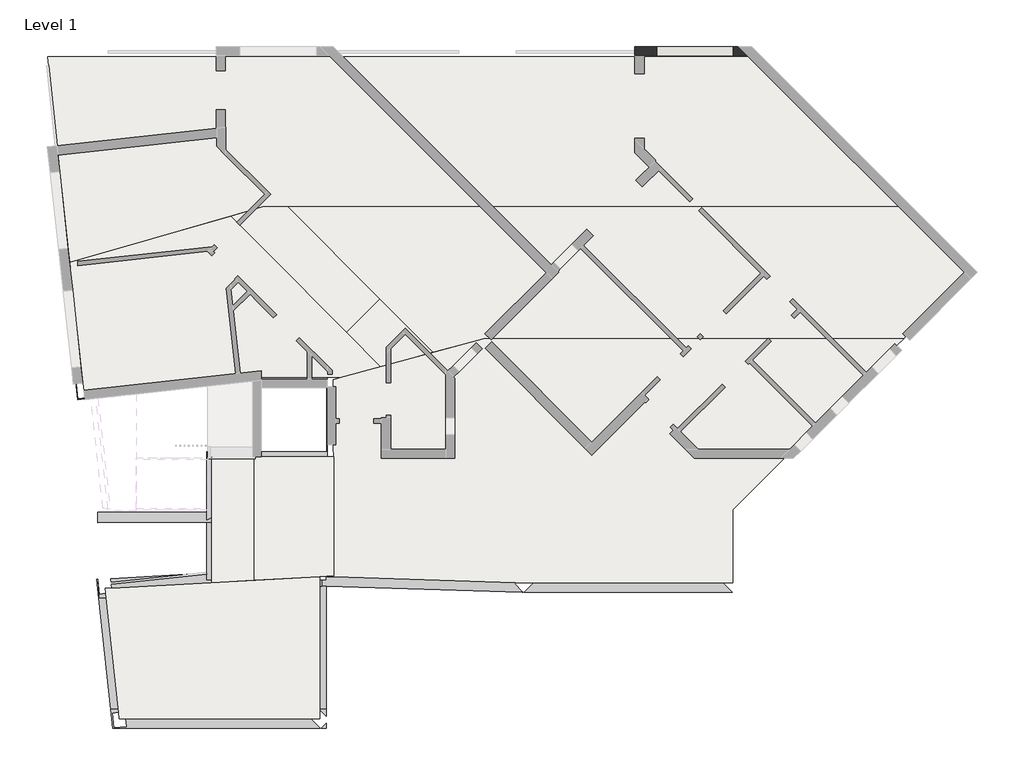
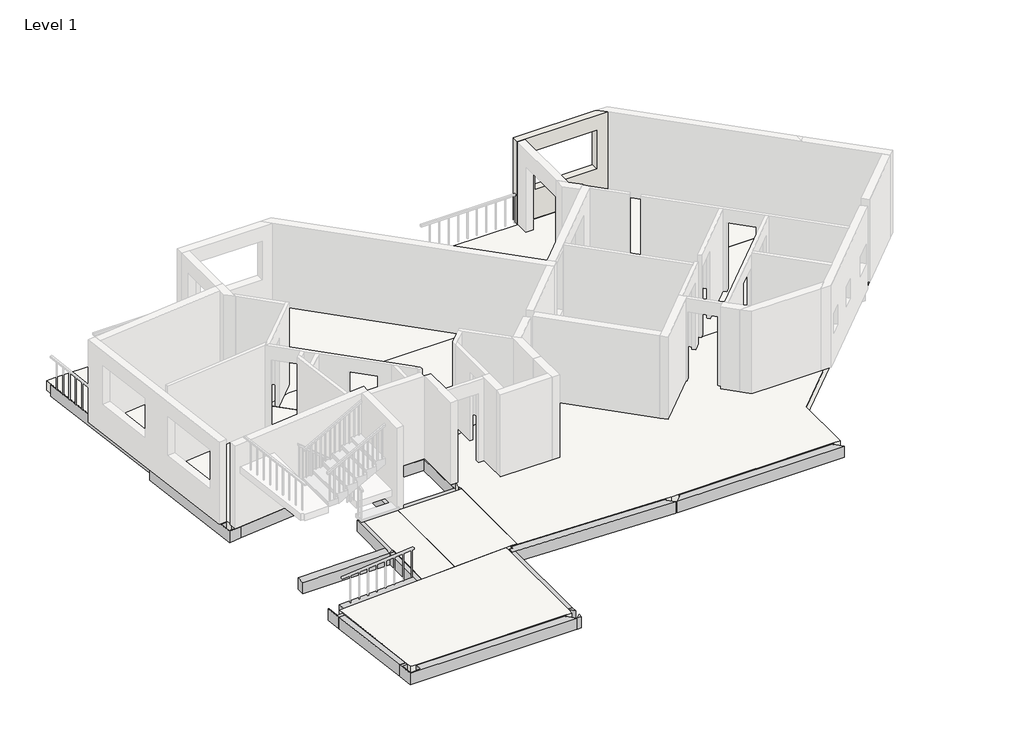
# One storey, part 2 of 3: 21 beams, 9 slabs, 1 wall.
"""IFC4 building model written with IfcOpenShell, lengths in millimetres."""

from ifc_helpers import new_model, si_unit, frame, origin, place, context, project, spatial, polyline, outline, extrude, faceted_brep, element, save

model = new_model("IFC4")

# Units and contexts
model_context = context("Model", 3, world=origin())
ifc_project = project(units=[si_unit("LENGTHUNIT", "METRE", prefix="MILLI")], contexts=[model_context])

# Site, building, storey
site = spatial("IfcSite", under=ifc_project)
building = spatial("IfcBuilding", under=site)
storey = spatial("IfcBuildingStorey", under=building, Name="Level 1", Elevation=1400.0)

# Beams
placement = place(None, origin())
element("IfcBeam", 1, ObjectType="Concrete-Rectangular Beam : 250 x 350mm 2", at=placement, inside=storey, context=model_context, shape_type="Brep", body=[
    faceted_brep([(4288.9845917, -3932.4845941, 1025.0), (7455.9079837, -7098.9143114, 1025.0), (7455.9079837, -7098.9143114, 1100.0), (4288.9845917, -3932.4845941, 1100.0), (7733.8316834, -7023.2688522, 1025.0), (4563.7049743, -3853.6363171, 1025.0), (6970.6952397, -6260.2513697, 1025.0), (7147.4857145, -6437.0142855, 1025.0), (4563.7049743, -3853.6363171, 1100.0), (6970.6952397, -6260.2513697, 1100.0), (7147.4857145, -6437.0142855, 1100.0), (7733.8316834, -7023.2688522, 1100.0)], [[[0, 1, 2, 3]], [[4, 1, 0, 5, 6, 7]], [[4, 7, 6, 5, 8, 9, 10, 11]], [[1, 4, 11, 2]], [[5, 0, 3, 8]], [[3, 2, 11, 10, 9, 8]]]),
])
element("IfcBeam", 2, ObjectType="Concrete-Rectangular Beam : 250 x 350mm 2", at=placement, inside=storey, context=model_context, shape_type="Brep", body=[
    faceted_brep([(5631.5, -3719.0, 1025.0), (7571.4733081, -5659.4733013, 1025.0), (7748.2272259, -5836.2727741, 1025.0), (8677.999454, -6766.2846342, 1025.0), (8677.999454, -6766.2846342, 1100.0), (5631.5, -3719.0, 1100.0), (8955.8902764, -6690.6481235, 1025.0), (5985.0078443, -3719.0, 1025.0), (5985.0078443, -3719.0, 1100.0), (8955.8902764, -6690.6481235, 1100.0)], [[[0, 1, 2, 3, 4, 5]], [[6, 3, 2, 1, 0, 7]], [[6, 7, 8, 9]], [[3, 6, 9, 4]], [[7, 0, 5, 8]], [[5, 4, 9, 8]]]),
])
element("IfcBeam", 3, ObjectType="Concrete-Rectangular Beam : 250 x 350mm 2", at=placement, inside=storey, context=model_context, shape_type="SweptSolid", body=[
    extrude(outline(polyline([(7147.4857145, -6437.0142855), (6970.6952397, -6260.2513697), (7571.4733081, -5659.4733013), (7748.2272259, -5836.2727741), (7147.4857145, -6437.0142855)])), frame((0.0, 0.0, 1025.0), z_axis=(0.0, 0.0, 1.0), x_axis=(1.0, 0.0, 0.0)), (0.0, 0.0, 1.0), 75.0),
])
element("IfcBeam", 4, ObjectType="Concrete-Rectangular Beam : 250 x 350mm 2", at=placement, inside=storey, context=model_context, shape_type="Brep", body=[
    faceted_brep([(4914.0, -7724.0, 1375.0), (4781.0318976, -7724.0, 1375.0), (4781.0318976, -7566.6525334, 1375.0), (4664.0, -7579.5, 1375.0), (4664.0, -9244.0, 1375.0), (4664.0, -9369.0, 1375.0), (4914.0, -9369.0, 1375.0), (4914.0, -9244.0, 1375.0), (4664.0, -7579.5, 1025.0), (4664.0, -12047.9545967, 1025.0), (4664.0, -12047.9545967, 1100.0), (4664.0, -9494.0, 1100.0), (4664.0, -9369.0, 1100.0), (4781.0318976, -7724.0, 1025.0), (4914.0, -7724.0, 1025.0), (4914.0, -12034.0779934, 1025.0), (4781.0318976, -7566.6525334, 1025.0), (4914.0, -9369.0, 1100.0), (4914.0, -9494.0, 1100.0), (4914.0, -12034.0779934, 1100.0), (4789.0, -9369.0, 1100.0)], [[[0, 1, 2, 3, 4, 5, 6, 7]], [[3, 8, 9, 10, 11, 12, 5, 4]], [[13, 14, 15, 9, 8, 16]], [[14, 0, 7, 6, 17, 18, 19, 15]], [[13, 1, 0, 14]], [[3, 2, 16, 8]], [[1, 13, 16, 2]], [[9, 15, 19, 10]], [[12, 11, 10, 19, 18, 17, 20]], [[12, 20, 17, 6, 5]]]),
    faceted_brep([(4781.0318976, -7530.4393846, 1375.0), (4781.0318976, -7530.4393846, 1025.0), (4781.0318976, -7523.5, 1025.0), (4781.0318976, -7523.5, 1375.0), (4780.2701094, -7523.5, 1375.0), (4780.2701094, -7523.5, 1025.0)], [[[0, 1, 2, 3]], [[1, 0, 4, 5]], [[0, 3, 4]], [[2, 1, 5]], [[3, 2, 5, 4]]]),
])
element("IfcBeam", 5, ObjectType="Concrete-Rectangular Beam : 250 x 350mm 2", at=placement, inside=storey, context=model_context, shape_type="Brep", body=[
    faceted_brep([(6514.0, -9244.0, 1400.0), (3678.0, -9244.0, 1400.0), (3803.0, -9370.481814, 1400.0), (3803.0, -9369.0, 1400.0), (4789.0, -9369.0, 1400.0), (6514.0, -9369.0, 1400.0), (6514.0, -9244.0, 1050.0), (4914.0, -9244.0, 1050.0), (4914.0, -9244.0, 1375.0), (4664.0, -9244.0, 1375.0), (4664.0, -9244.0, 1050.0), (3680.9289073, -9244.0, 1050.0), (6514.0, -9433.5, 1050.0), (6656.3291312, -9433.5, 1050.0), (6656.3291312, -9494.0, 1050.0), (4914.0, -9494.0, 1050.0), (3928.0, -9494.0, 1050.0), (4664.0, -9494.0, 1050.0), (4664.0, -9494.0, 1100.0), (3927.5815847, -9494.0, 1100.0), (6656.3291312, -9433.5, 1100.0), (6656.3291312, -9494.0, 1100.0), (6514.0, -9369.0, 1100.0), (6514.0, -9433.5, 1100.0), (4914.0, -9369.0, 1375.0), (4664.0, -9369.0, 1375.0), (4664.0, -9369.0, 1100.0), (4914.0, -9494.0, 1100.0), (4914.0, -9369.0, 1100.0), (3804.0460383, -9369.0, 1100.0), (3803.0, -9369.0, 1225.0)], [[[0, 1, 2, 3, 4, 5]], [[1, 0, 6, 7, 8, 9, 10, 11]], [[6, 12, 13, 14, 15, 7]], [[16, 17, 18, 19]], [[14, 13, 20, 21]], [[6, 0, 5, 22, 23, 12]], [[9, 8, 24, 25]], [[10, 9, 25, 26, 18, 17]], [[8, 7, 15, 27, 28, 24]], [[10, 17, 16, 11]], [[1, 11, 16, 19, 29, 30, 2]], [[13, 12, 23, 20]], [[26, 29, 19, 18]], [[30, 3, 2]], [[29, 26, 25, 24, 28, 22, 5, 4, 3, 30]], [[15, 14, 21, 27]], [[22, 28, 27, 21, 20, 23]]]),
])
element("IfcBeam", 6, ObjectType="Concrete-Rectangular Beam : 250 x 350mm 2", at=placement, inside=storey, context=model_context, shape_type="Brep", body=[
    faceted_brep([(3678.0, -9244.0089617, 1401.0583627), (3678.0, -12328.0302616, 1374.9443852), (3803.0, -12321.09196, 1375.0031353), (3803.0, -9370.4817078, 1399.9874536), (3801.5355463, -9369.0, 1400.0), (3678.0, -9244.0, 1400.0), (3678.0, -9241.0454398, 1051.0709093), (3678.0, -12328.0302616, 1024.9318381), (3678.0, -12328.0302616, 1100.0), (3680.920155, -9244.0, 1051.0458916), (3803.0000262, -9367.5182125, 1050.0), (3928.0, -9493.9909321, 1048.9290911), (3928.0, -12314.1536583, 1025.0493384), (3928.0, -9494.0, 1050.0), (3928.0, -9494.4233754, 1100.0), (3928.0, -12314.1536583, 1100.0), (3803.0, -9369.0, 1225.0), (3804.0460383, -9369.0, 1100.0), (3927.5815847, -9494.0, 1100.0), (3803.0, -12321.09196, 1100.0), (3803.0, -9369.0, 1100.0)], [[[0, 1, 2, 3, 4]], [[1, 0, 5, 6, 7, 8]], [[7, 6, 9, 10, 11, 12]], [[12, 11, 13, 14, 15]], [[0, 4, 3, 16, 17, 18, 14, 13, 11, 10, 9, 6, 5]], [[7, 12, 15, 19, 2, 1, 8]], [[20, 19, 15, 14, 18, 17]], [[19, 20, 16, 3, 2]], [[20, 17, 16]]]),
])
element("IfcBeam", 7, ObjectType="Concrete-Rectangular Beam : 250 x 350mm 2", at=placement, inside=storey, context=model_context, shape_type="Brep", body=[
    faceted_brep([(3803.0, -10906.4575428, 1387.4677745), (3803.0, -10656.4551681, 1387.4728457), (1122.9140268, -10668.1367384, 1375.0), (1124.0036802, -10918.1343637, 1375.0), (3803.0, -10906.4575428, 1037.4639843), (1124.0036802, -10918.1343637, 1024.9962098), (3803.0, -10656.4551681, 1037.4690555), (1122.9140268, -10668.1367384, 1024.9962098)], [[[0, 1, 2, 3]], [[4, 0, 3, 5]], [[6, 4, 5, 7]], [[1, 6, 7, 2]], [[2, 7, 5, 3]], [[1, 0, 4, 6]]]),
])
element("IfcBeam", 8, ObjectType="Concrete-Rectangular Beam : 300 x 350mm 2", at=placement, inside=storey, context=model_context, shape_type="Brep", body=[
    faceted_brep([(6489.0, -12405.851517, 1375.0), (6391.1095246, -12402.7816252, 1375.0), (6339.0, -12405.674038, 1375.0), (6339.0, -15296.0, 1375.0), (6489.0, -15296.0, 1375.0), (6489.0, -12405.851517, 1025.0), (6489.0, -15296.0, 1025.0), (6189.0, -12414.0, 1025.0), (6391.1095246, -12402.7816252, 1025.0), (6189.0, -15296.0, 1025.0), (6189.0, -15296.0, 1100.0), (6189.0, -12414.0, 1100.0), (6339.0, -12405.674038, 1100.0), (6339.0, -15296.0, 1100.0)], [[[0, 1, 2, 3, 4]], [[5, 0, 4, 6]], [[7, 8, 5, 6, 9]], [[7, 9, 10, 11]], [[8, 7, 11, 12, 2, 1]], [[1, 0, 5, 8]], [[9, 6, 4, 3, 13, 10]], [[13, 12, 11, 10]], [[12, 13, 3, 2]]]),
])
element("IfcBeam", 9, ObjectType="Concrete-Rectangular Beam : 300 x 350mm 2", at=placement, inside=storey, context=model_context, shape_type="Brep", body=[
    faceted_brep([(6506.3291312, -7549.7295918, 1375.0), (6506.3291312, -9249.5457583, 1400.0), (6514.0, -9249.5457583, 1400.0), (6514.0, -9083.5, 1397.5578865), (6656.3291312, -9083.5, 1397.5578865), (6656.3291312, -7723.5, 1377.5557235), (6514.0, -7723.5, 1377.5557235), (6514.0, -7549.7295918, 1375.0), (6506.3291312, -7549.7295918, 1024.9621478), (6506.3291312, -9249.5457583, 1049.9621478), (6514.0, -7549.7295918, 1024.9621478), (6514.0, -7723.5, 1027.5178714), (6806.3291312, -7723.5, 1027.5178714), (6806.3291312, -9083.5, 1047.5200344), (6514.0, -9083.5, 1047.5200344), (6514.0, -9249.5457583, 1049.9621478), (6806.3291312, -7723.5, 1100.0), (6806.3291312, -9083.5, 1100.0), (6656.3291312, -7723.5, 1100.0), (6656.3291312, -9083.5, 1100.0)], [[[0, 1, 2, 3, 4, 5, 6, 7]], [[1, 0, 8, 9]], [[9, 8, 10, 11, 12, 13, 14, 15]], [[13, 12, 16, 17]], [[8, 0, 7, 10]], [[1, 9, 15, 2]], [[6, 11, 10, 7]], [[11, 6, 5, 18, 16, 12]], [[3, 14, 13, 17, 19, 4]], [[14, 3, 2, 15]], [[18, 19, 17, 16]], [[19, 18, 5, 4]]]),
])
element("IfcBeam", 10, ObjectType="Concrete-Rectangular Beam : 300 x 350mm 2", at=placement, inside=storey, context=model_context, shape_type="Brep", body=[
    faceted_brep([(6664.0, -12162.2881121, 1375.2061538), (6514.0, -12170.6140741, 1375.1344593), (6514.0, -12181.5249146, 1375.0405066), (6664.0, -12186.2289858, 1375.0), (6814.0, -12190.9330569, 1024.9465177), (6814.0, -9433.5, 1048.6906557), (6814.0, -9433.5, 1100.0), (6814.0, -12190.9330569, 1100.0), (6514.0, -12181.5249146, 1025.0275308), (6514.0, -9433.5, 1048.6906557), (6514.0, -12170.6140741, 1100.0), (6514.0, -9433.5, 1100.0), (6664.0, -12186.2289858, 1100.0), (6664.0, -12162.2881121, 1100.0)], [[[0, 1, 2, 3]], [[4, 5, 6, 7]], [[4, 8, 9, 5]], [[8, 2, 1, 10, 11, 9]], [[2, 8, 4, 7, 12, 3]], [[5, 9, 11, 6]], [[10, 13, 12, 7, 6, 11]], [[13, 10, 1, 0]], [[12, 13, 0, 3]]]),
])
element("IfcBeam", 11, ObjectType="Concrete-Rectangular Beam : 350 x 350mm 2", at=placement, inside=storey, context=model_context, shape_type="Brep", body=[
    faceted_brep([(472.3845032, -4793.8138553, 1400.0), (-34.9956457, -175.0, 1400.0), (-55.3541416, -175.0, 1400.0), (455.478602, -4825.8192832, 1400.0), (141.0570668, -175.0, 1050.0), (618.1278376, -4517.8996798, 1050.0), (573.3716487, -4602.6299147, 1050.0), (455.478602, -4825.8192832, 1050.0), (-55.3541416, -175.0, 1050.0), (618.1278376, -4517.8996798, 1100.0), (573.3716487, -4602.6299147, 1100.0), (472.3845032, -4793.8138553, 1100.0), (141.0570668, -175.0, 1100.0), (-34.9956457, -175.0, 1100.0)], [[[0, 1, 2, 3]], [[4, 5, 6, 7, 8]], [[5, 9, 10, 11, 0, 3, 7, 6]], [[12, 4, 8, 2, 1, 13]], [[5, 4, 12, 9]], [[13, 11, 10, 9, 12]], [[11, 13, 1, 0]], [[3, 2, 8, 7]]]),
])
element("IfcBeam", 12, ObjectType="Concrete-Rectangular Beam : 350 x 350mm 2", at=placement, inside=storey, context=model_context, shape_type="Brep", body=[
    faceted_brep([(1147.5961655, -12693.8302438, 1375.0), (1122.6566689, -12244.5218625, 1375.0), (1099.1402845, -12245.8271726, 1375.0), (1781.0873736, -15296.0, 1025.0), (1497.536567, -12674.4063073, 1025.0), (1497.536567, -12674.4063073, 1100.0), (1781.0873736, -15296.0, 1100.0), (1122.6566689, -12244.5218625, 1025.0), (1147.5961655, -12693.8302438, 1025.0), (1099.1402845, -12245.8271726, 1025.0), (1429.0460849, -15296.0, 1025.0), (1429.0460849, -15296.0, 1375.0), (1605.0667292, -15296.0, 1100.0), (1605.0667292, -15296.0, 1375.0), (1322.5663663, -12684.1182756, 1375.0), (1322.5663663, -12684.1182756, 1100.0)], [[[0, 1, 2]], [[3, 4, 5, 6]], [[7, 8, 9]], [[2, 9, 8, 10, 11, 0]], [[10, 3, 6, 12, 13, 11]], [[9, 2, 1, 7]], [[8, 0, 14, 15, 5, 4]], [[0, 8, 7, 1]], [[0, 11, 13, 14]], [[3, 10, 8, 4]], [[15, 12, 6, 5]], [[12, 15, 14, 13]]]),
])
element("IfcBeam", 13, ObjectType="Concrete-Rectangular Beam : 350 x 350mm 2", at=placement, inside=storey, context=model_context, shape_type="Brep", body=[
    faceted_brep([(655.0063977, -7995.5601734, 1375.0), (618.0023195, -7647.521816, 1375.0), (783.6520766, -7629.9096292, 1375.0), (472.3841295, -4793.8139626, 1375.0), (276.8029194, -4615.8643138, 1375.0), (650.4255343, -8020.1000829, 1375.0), (998.3354647, -7981.9074082, 1375.0), (979.2434596, -7807.9519675, 1375.0), (937.2406788, -7812.5629268, 1375.0), (953.3249898, -7963.8423921, 1375.0), (276.8029194, -4615.8643138, 1025.0), (650.4255343, -8020.1000829, 1025.0), (641.1989283, -4947.4101804, 1025.0), (667.9653397, -4971.7636114, 1025.0), (960.1514545, -7633.9965267, 1025.0), (998.3354647, -7981.9074082, 1025.0), (916.3209115, -7615.8040347, 1025.0), (618.0023195, -7647.521816, 1025.0), (655.0063977, -7995.5601734, 1025.0), (953.3249898, -7963.8423921, 1025.0), (667.9653397, -4971.7636114, 1100.0), (960.1514545, -7633.9965267, 1100.0), (979.2434596, -7807.9519675, 1100.0), (472.3841295, -4793.8139626, 1100.0), (641.1989283, -4947.4101804, 1100.0), (916.3209115, -7615.8040347, 1100.0), (783.6520766, -7629.9096292, 1100.0), (937.2406788, -7812.5629268, 1100.0)], [[[0, 1, 2, 3, 4, 5, 6, 7, 8, 9]], [[4, 10, 11, 5]], [[10, 12, 13, 14, 15, 11], [16, 17, 18, 19]], [[15, 14, 13, 20, 21, 22, 7, 6]], [[13, 12, 10, 4, 3, 23, 24, 20]], [[1, 17, 16, 25, 26, 2]], [[17, 1, 0, 18]], [[16, 19, 9, 8, 27, 25]], [[6, 5, 11, 15]], [[18, 0, 9, 19]], [[8, 7, 22, 27]], [[3, 2, 26, 23]], [[23, 26, 25, 27, 22, 21, 20, 24]]]),
])
element("IfcBeam", 14, ObjectType="Concrete-Rectangular Beam : 350 x 350mm 2", at=placement, inside=storey, context=model_context, shape_type="Brep", body=[
    faceted_brep([(998.3354647, -7981.9074082, 1375.0), (998.3354647, -7981.9074082, 1025.0), (4664.0, -7579.5, 1025.0), (4781.0318976, -7566.6525334, 1025.0), (4781.0318976, -7566.6525334, 1375.0), (4664.0, -7579.5, 1375.0), (979.2434596, -7807.9519675, 1375.0), (979.2434596, -7807.9519675, 1100.0), (960.1514545, -7633.9965267, 1100.0), (960.1514545, -7633.9965267, 1025.0), (4614.0, -7523.5, 1375.0), (4614.0, -7523.5, 1025.0), (4614.0, -7232.8862481, 1025.0), (4614.0, -7232.8862481, 1100.0), (4614.0, -7499.0, 1100.0), (4614.0, -7499.0, 1375.0), (4780.2701094, -7523.5, 1375.0), (4780.2701094, -7523.5, 1025.0), (4781.0318976, -7530.4393846, 1375.0), (4781.0318976, -7530.4393846, 1025.0), (3793.5909273, -7499.0, 1375.0), (3793.5909273, -7499.0, 1100.0)], [[[0, 1, 2, 3, 4, 5]], [[1, 0, 6, 7, 8, 9]], [[10, 11, 12, 13, 14, 15]], [[11, 10, 16, 17]], [[17, 16, 18, 19]], [[16, 10, 15, 20, 6, 0, 5, 4, 18]], [[1, 9, 12, 11, 17, 19, 3, 2]], [[12, 9, 8, 13]], [[4, 3, 19, 18]], [[20, 21, 7, 6]], [[21, 20, 15, 14]], [[21, 14, 13, 8, 7]]]),
    faceted_brep([(4746.7672737, -7218.3113916, 1025.0), (4747.336866, -7223.5, 1025.0), (4699.5024934, -7223.5, 1025.0), (4699.5024934, -7223.5, 1100.0), (4746.7672737, -7218.3113916, 1100.0), (4747.336866, -7223.5, 1100.0)], [[[0, 1, 2]], [[0, 2, 3, 4]], [[1, 0, 4, 5]], [[2, 1, 5, 3]], [[4, 3, 5]]]),
])
element("IfcBeam", 15, ObjectType="Concrete-Rectangular Beam : 450 x 350mm 2", at=placement, inside=storey, context=model_context, shape_type="Brep", body=[
    faceted_brep([(6363.6161445, -15333.8518192, 1375.0), (6489.0, -15458.9406539, 1375.0), (6489.0, -15296.0, 1375.0), (6339.0, -15296.0, 1375.0), (6339.0, -15358.5260207, 1375.0), (6489.0, -15296.0, 1025.0), (6189.0, -15296.0, 1025.0), (1781.0873736, -15296.0, 1025.0), (1429.0460849, -15296.0, 1025.0), (1429.0460849, -15296.0, 1375.0), (1605.0667292, -15296.0, 1375.0), (1605.0667292, -15296.0, 1100.0), (1781.0873736, -15296.0, 1100.0), (6189.0, -15296.0, 1100.0), (6339.0, -15296.0, 1100.0), (6363.6161445, -15333.8518192, 1025.0), (6489.0, -15458.9406539, 1025.0), (6339.0, -15358.5260207, 1100.0), (6176.9083124, -15521.0, 1100.0), (6176.9083124, -15521.0, 1375.0), (6151.7341182, -15546.2335673, 1375.0), (6151.7341182, -15546.2335673, 1025.0), (6351.9716981, -15746.0, 1375.0), (6351.9716981, -15746.0, 1025.0), (1477.7179532, -15746.0, 1375.0), (1477.7179532, -15746.0, 1025.0), (1762.6222142, -15355.9482068, 1025.0), (1464.2788034, -15387.4316823, 1025.0), (1501.0095248, -15735.4989949, 1025.0), (1799.3529356, -15704.0155194, 1025.0), (1613.2555566, -15371.7105173, 1100.0), (1762.6222142, -15355.9482068, 1100.0), (1780.0397401, -15521.0, 1100.0), (1780.0397401, -15521.0, 1375.0), (1613.2555566, -15371.7105173, 1375.0), (1799.3529356, -15704.0155194, 1375.0), (1501.0095248, -15735.4989949, 1375.0), (1464.2788034, -15387.4316823, 1375.0)], [[[0, 1, 2, 3, 4]], [[2, 5, 6, 7, 8, 9, 10, 11, 12, 13, 14, 3]], [[0, 15, 16, 1]], [[15, 0, 4, 17, 18, 19, 20, 21]], [[21, 20, 22, 23]], [[23, 22, 24, 25]], [[16, 15, 21, 23, 25, 8, 7, 6, 5], [26, 27, 28, 29]], [[5, 2, 1, 16]], [[17, 14, 13, 12, 11, 30, 31, 32, 18]], [[14, 17, 4, 3]], [[19, 18, 32, 33]], [[11, 10, 34, 30]], [[22, 20, 19, 33, 35, 36, 37, 34, 10, 9, 24]], [[24, 9, 8, 25]], [[26, 31, 30, 34, 37, 27]], [[27, 37, 36, 28]], [[28, 36, 35, 29]], [[31, 26, 29, 35, 33, 32]]]),
    faceted_brep([(6489.0, -15746.0, 1025.0), (6489.0, -15746.0, 1375.0), (6376.2029526, -15746.0, 1375.0), (6376.2029526, -15746.0, 1025.0), (6489.0, -15632.9369219, 1025.0), (6489.0, -15632.9369219, 1375.0)], [[[0, 1, 2, 3]], [[4, 0, 3]], [[1, 0, 4, 5]], [[2, 5, 4, 3]], [[1, 5, 2]]]),
])
element("IfcBeam", 16, ObjectType="Concrete-Rectangular Beam : 450 x 350mm 2", at=placement, inside=storey, context=model_context, shape_type="Brep", body=[
    faceted_brep([(1147.5961655, -12693.8302438, 1025.0), (1497.536567, -12674.4063073, 1025.0), (6189.0, -12414.0, 1025.0), (6391.1095246, -12402.7816252, 1025.0), (6391.1095246, -12402.7816252, 1375.0), (6339.0, -12405.674038, 1375.0), (6339.0, -12405.674038, 1100.0), (6189.0, -12414.0, 1100.0), (1497.536567, -12674.4063073, 1100.0), (1322.5663663, -12684.1182756, 1100.0), (1322.5663663, -12684.1182756, 1375.0), (1147.5961655, -12693.8302438, 1375.0), (1122.6566689, -12244.5218625, 1375.0), (1122.6566689, -12244.5218625, 1025.0), (1161.1379373, -12591.8062242, 1375.0), (1161.1379373, -12591.8062242, 1025.0), (1124.7010948, -12244.4083837, 1025.0), (1124.7010948, -12244.4083837, 1375.0), (1310.8831615, -12576.1001877, 1375.0), (1310.8831615, -12576.1001877, 1100.0), (1459.501297, -12560.512366, 1100.0), (1459.501297, -12560.512366, 1025.0), (1424.6007588, -12227.7620291, 1025.0), (1448.0994185, -12451.8040445, 1100.0), (1448.0994185, -12451.8040445, 1375.0), (1424.6007588, -12227.7620291, 1375.0), (6189.0, -12262.0, 1025.0), (6189.0, -11963.3073167, 1025.0), (6189.0, -11963.3073167, 1100.0), (6189.0, -12262.0, 1100.0), (6389.4130721, -12262.0, 1025.0), (6339.0, -12262.0, 1100.0), (6339.0, -12262.0, 1375.0), (6389.4130721, -12262.0, 1375.0), (4664.0, -12047.9545967, 1025.0), (4914.0, -12034.0779934, 1025.0), (3803.0, -12095.7456183, 1375.0), (3803.0, -12095.7456183, 1100.0), (4664.0, -12047.9545967, 1100.0), (4914.0, -12034.0779934, 1100.0), (3803.0, -12321.09196, 1100.0), (3803.0, -12321.09196, 1375.0)], [[[0, 1, 2, 3, 4, 5, 6, 7, 8, 9, 10, 11]], [[12, 13, 0, 11]], [[14, 15, 16, 17]], [[15, 14, 18, 19, 20, 21]], [[22, 21, 20, 23, 24, 25]], [[26, 27, 28, 29]], [[30, 26, 29, 31, 32, 33]], [[13, 12, 17, 16]], [[4, 33, 32, 5]], [[3, 2, 1, 0, 13, 16, 15, 21, 22, 34, 35, 27, 26, 30]], [[22, 25, 36, 37, 38, 39, 28, 27, 35, 34]], [[4, 3, 30, 33]], [[37, 40, 23, 20, 19, 9, 8, 7, 6, 31, 29, 28, 39, 38]], [[40, 37, 36, 41]], [[31, 6, 5, 32]], [[9, 19, 18, 10]], [[23, 40, 41, 24]], [[36, 25, 24, 41]], [[12, 11, 10, 18, 14, 17]]]),
    faceted_brep([(6385.7980001, -11962.0, 1025.0), (6212.5525343, -11962.0, 1025.0), (6385.6821996, -11952.3901933, 1025.0), (6212.5525343, -11962.0, 1100.0), (6385.6821996, -11952.3901933, 1100.0), (6385.7980001, -11962.0, 1100.0)], [[[0, 1, 2]], [[2, 1, 3, 4]], [[1, 0, 5, 3]], [[0, 2, 4, 5]], [[4, 3, 5]]]),
])
element("IfcBeam", 17, ObjectType="Concrete-Rectangular Beam : 450 x 350mm 2", at=placement, inside=storey, context=model_context, shape_type="Brep", body=[
    faceted_brep([(6391.1095246, -12402.7816252, 1375.0), (6489.0, -12405.851517, 1375.0), (11101.4456273, -12550.5, 1375.0), (11101.6934174, -12534.6934174, 1375.0), (10917.7521853, -12350.7521853, 1375.0), (10947.9293288, -12320.5750418, 1375.0), (6664.0, -12186.2289858, 1375.0), (6664.0, -12162.2881121, 1375.0), (6489.0, -12172.0017344, 1375.0), (6489.0, -12262.0, 1375.0), (6389.4130721, -12262.0, 1375.0), (6391.1095246, -12402.7816252, 1025.0), (6489.0, -12405.851517, 1025.0), (11101.4456273, -12550.5, 1025.0), (6389.4130721, -12262.0, 1025.0), (6489.0, -12262.0, 1025.0), (6489.0, -11962.0, 1025.0), (6385.7980001, -11962.0, 1025.0), (6385.6821996, -11952.3901933, 1025.0), (11108.5, -12100.5, 1025.0), (11107.5523306, -12160.9520399, 1025.0), (10917.7521853, -12350.7521853, 1025.0), (11101.6934174, -12534.6934174, 1025.0), (6385.6821996, -11952.3901933, 1100.0), (11108.5, -12100.5, 1100.0), (6489.0, -11962.0, 1100.0), (6385.7980001, -11962.0, 1100.0), (6489.0, -12172.0017344, 1100.0), (11107.5523306, -12160.9520399, 1100.0), (10947.9293288, -12320.5750418, 1100.0), (6664.0, -12162.2881121, 1100.0), (6664.0, -12186.2289858, 1100.0)], [[[0, 1, 2, 3, 4, 5, 6, 7, 8, 9, 10]], [[2, 1, 0, 11, 12, 13]], [[13, 12, 11, 14, 15, 16, 17, 18, 19, 20, 21, 22]], [[19, 18, 23, 24]], [[17, 16, 25, 26]], [[9, 15, 14, 10]], [[15, 9, 8, 27, 25, 16]], [[4, 21, 20, 28, 29, 5]], [[21, 4, 3, 22]], [[2, 13, 22, 3]], [[20, 19, 24, 28]], [[18, 17, 26, 23]], [[11, 0, 10, 14]], [[27, 30, 31, 29, 28, 24, 23, 26, 25]], [[30, 27, 8, 7]], [[29, 31, 6, 5]], [[31, 30, 7, 6]]]),
])
element("IfcBeam", 18, ObjectType="Concrete-Rectangular Beam : 450 x 350mm 2", at=placement, inside=storey, context=model_context, shape_type="Brep", body=[
    faceted_brep([(11342.016254, -12350.7521853, 1375.0), (11142.2684393, -12550.5, 1375.0), (16032.5, -12550.5, 1375.0), (15832.7521853, -12350.7521853, 1375.0), (15858.0043706, -12325.5, 1375.0), (11316.7640687, -12325.5, 1375.0), (11142.2684393, -12550.5, 1025.0), (16032.5, -12550.5, 1025.0), (11108.5, -12100.5, 1025.0), (16044.8842196, -12100.5, 1025.0), (16044.8842196, -12138.6201509, 1025.0), (15832.7521853, -12350.7521853, 1025.0), (11342.016254, -12350.7521853, 1025.0), (11129.8842196, -12138.6201509, 1025.0), (11107.5523306, -12160.9520399, 1025.0), (11108.5, -12100.5, 1100.0), (16044.8842196, -12100.5, 1100.0), (11316.7640687, -12325.5, 1100.0), (11129.8842196, -12138.6201509, 1100.0), (11107.5523306, -12160.9520399, 1100.0), (16044.8842196, -12138.6201509, 1100.0), (15858.0043706, -12325.5, 1100.0)], [[[0, 1, 2, 3, 4, 5]], [[1, 6, 7, 2]], [[8, 9, 10, 11, 7, 6, 12, 13, 14]], [[9, 8, 15, 16]], [[12, 0, 5, 17, 18, 13]], [[14, 13, 18, 19]], [[0, 12, 6, 1]], [[3, 11, 10, 20, 21, 4]], [[11, 3, 2, 7]], [[8, 14, 19, 15]], [[10, 9, 16, 20]], [[17, 21, 20, 16, 15, 19, 18]], [[21, 17, 5, 4]]]),
    faceted_brep([(11101.6934174, -12534.6934174, 1375.0), (11117.5, -12550.5, 1375.0), (11117.5, -12550.5, 1025.0), (11101.6934174, -12534.6934174, 1025.0), (11101.4456273, -12550.5, 1375.0), (11101.4456273, -12550.5, 1025.0)], [[[0, 1, 2, 3]], [[1, 0, 4]], [[2, 1, 4, 5]], [[3, 2, 5]], [[5, 4, 0, 3]]]),
])
element("IfcBeam", 19, ObjectType="Concrete-Rectangular Beam : 450 x 350mm 2", at=placement, inside=storey, context=model_context, shape_type="Brep", body=[
    faceted_brep([(6842.7111819, -7499.0, 1375.0), (6814.0, -7499.0, 1375.0), (6814.0, -7506.8146288, 1375.0), (4781.0318976, -7724.0, 1025.0), (4914.0, -7724.0, 1025.0), (6872.7844828, -7724.0, 1025.0), (6872.7844828, -7724.0, 1100.0), (6656.3291312, -7724.0, 1100.0), (6656.3291312, -7724.0, 1375.0), (4914.0, -7724.0, 1375.0), (4781.0318976, -7724.0, 1375.0), (4781.0318976, -7566.6525334, 1025.0), (4781.0318976, -7530.4393846, 1025.0), (4781.0318976, -7523.5, 1025.0), (4914.0, -7523.5, 1025.0), (4914.0, -7274.0, 1025.0), (6812.6378811, -7274.0, 1025.0), (6814.0, -7423.5, 1025.0), (6514.0, -7423.5, 1025.0), (6514.0, -7723.5, 1025.0), (6814.0, -7723.5, 1025.0), (4914.0, -7274.0, 1100.0), (6812.6378811, -7274.0, 1100.0), (4781.0318976, -7566.6525334, 1375.0), (4781.0318976, -7530.4393846, 1375.0), (4781.0318976, -7523.5, 1375.0), (4914.0, -7523.5, 1375.0), (4914.0, -7499.0, 1375.0), (4914.0, -7499.0, 1100.0), (6814.0, -7423.5, 1100.0), (6514.0, -7423.5, 1100.0), (6514.0, -7723.5, 1375.0), (6514.0, -7499.0, 1100.0), (6514.0, -7499.0, 1375.0), (6656.3291312, -7723.5, 1375.0), (6656.3291312, -7723.5, 1100.0), (6814.0, -7723.5, 1100.0), (6814.0, -7506.8146288, 1100.0), (6814.0, -7499.0, 1100.0), (6842.7111819, -7499.0, 1100.0)], [[[0, 1, 2]], [[3, 4, 5, 6, 7, 8, 9, 10]], [[5, 4, 3, 11, 12, 13, 14, 15, 16], [17, 18, 19, 20]], [[16, 15, 21, 22]], [[3, 10, 23, 24, 25, 13, 12, 11]], [[26, 14, 13, 25]], [[14, 26, 27, 28, 21, 15]], [[18, 17, 29, 30]], [[31, 19, 18, 30, 32, 33]], [[19, 31, 34, 35, 36, 20]], [[17, 20, 36, 37, 2, 1, 38, 29]], [[5, 16, 22, 39, 6]], [[1, 0, 39, 38]], [[27, 33, 32, 28]], [[28, 32, 30, 29, 38, 39, 22, 21]], [[39, 37, 36, 35, 7, 6]], [[7, 35, 34, 8]], [[37, 39, 0, 2]], [[25, 24, 23, 10, 9, 8, 34, 31, 33, 27, 26]]]),
])
element("IfcBeam", 20, ObjectType="Concrete-Rectangular Beam : 450 x 350mm 2", at=placement, inside=storey, context=model_context, shape_type="Brep", body=[
    faceted_brep([(667.9653397, -4971.7636114, 1025.0), (4288.9845917, -3932.4845941, 1025.0), (4563.7049743, -3853.6363171, 1025.0), (5018.5810446, -3723.0810446, 1025.0), (5018.5810446, -3723.0810446, 1100.0), (4563.7049743, -3853.6363171, 1100.0), (4288.9845917, -3932.4845941, 1100.0), (667.9653397, -4971.7636114, 1100.0), (447.4561598, -4566.8846427, 1025.0), (4969.5, -3269.0, 1025.0), (4981.1828185, -3352.0531127, 1025.0), (4814.3679656, -3518.8679656, 1025.0), (641.1989283, -4947.4101804, 1025.0), (664.3236947, -4944.965784, 1025.0), (627.5320249, -4596.9049085, 1025.0), (452.7830481, -4615.3766963, 1025.0), (447.4561598, -4566.8846427, 1050.0), (618.1278376, -4517.8996798, 1050.0), (618.1278376, -4517.8996798, 1100.0), (4969.5, -3269.0, 1100.0), (452.7830481, -4615.3766963, 1050.0), (4981.1828185, -3352.0531127, 1100.0), (627.5320249, -4596.9049085, 1100.0), (573.3716487, -4602.6299147, 1100.0), (573.3716487, -4602.6299147, 1050.0), (641.1989283, -4947.4101804, 1100.0), (664.3236947, -4944.965784, 1100.0), (4814.3679656, -3518.8679656, 1100.0)], [[[0, 1, 2, 3, 4, 5, 6, 7]], [[8, 9, 10, 11, 3, 2, 1, 0, 12, 13, 14, 15]], [[9, 8, 16, 17, 18, 19]], [[8, 15, 20, 16]], [[10, 9, 19, 21]], [[15, 14, 22, 23, 24, 20]], [[13, 12, 25, 26]], [[14, 13, 26, 22]], [[12, 0, 7, 25]], [[24, 17, 16, 20]], [[17, 24, 23, 18]], [[11, 10, 21, 27]], [[3, 11, 27, 4]], [[26, 25, 7, 6, 5, 4, 27, 21, 19, 18, 23, 22]]]),
])
element("IfcBeam", 21, ObjectType="Concrete-Rectangular Beam : 450 x 350mm 2", at=placement, inside=storey, context=model_context, shape_type="Brep", body=[
    faceted_brep([(5038.5, -3719.0, 1025.0), (5631.5, -3719.0, 1025.0), (5985.0078443, -3719.0, 1025.0), (10170.5, -3719.0, 1025.0), (10170.5, -3719.0, 1100.0), (5985.0078443, -3719.0, 1100.0), (5631.5, -3719.0, 1100.0), (5038.5, -3719.0, 1100.0), (4969.5, -3269.0, 1025.0), (10182.6208565, -3269.0, 1025.0), (10182.6208565, -3306.8567878, 1025.0), (9970.4837675, -3518.9837675, 1025.0), (5238.6320344, -3518.8679656, 1025.0), (5026.5, -3306.7359313, 1025.0), (4981.1828185, -3352.0531127, 1025.0), (4969.5, -3269.0, 1100.0), (10182.6208565, -3269.0, 1100.0), (4981.1828185, -3352.0531127, 1100.0), (10182.6208565, -3306.8466785, 1100.0), (5238.6320344, -3518.8679656, 1100.0), (5026.5, -3306.7359313, 1100.0), (9970.4837675, -3518.9837675, 1100.0)], [[[0, 1, 2, 3, 4, 5, 6, 7]], [[8, 9, 10, 11, 3, 2, 1, 0, 12, 13, 14]], [[9, 8, 15, 16]], [[8, 14, 17, 15]], [[10, 9, 16, 18]], [[13, 12, 19, 20]], [[14, 13, 20, 17]], [[12, 0, 7, 19]], [[11, 10, 18, 21]], [[3, 11, 21, 4]], [[19, 7, 6, 5, 4, 21, 18, 16, 15, 17, 20]]]),
])

# Slabs
element("IfcSlab", 22, ObjectType="Generic 300mm", at=placement, inside=storey, context=model_context, shape_type="Brep", body=[
    faceted_brep([(3793.5909273, -7499.0, 1100.0), (979.2434596, -7807.9519675, 1100.0), (937.2406788, -7812.5629268, 1100.0), (805.2884944, -7827.0483048, 1100.0), (783.6520766, -7629.9096292, 1100.0), (490.9843526, -4963.2885668, 1100.0), (472.3841295, -4793.8139626, 1100.0), (4244.4411407, -3711.1851693, 1100.0), (7778.188094, -7244.3812657, 1100.0), (6842.7111819, -7499.0, 1100.0), (6814.0, -7499.0, 1100.0), (6514.0, -7499.0, 1100.0), (4914.0, -7499.0, 1100.0), (4614.0, -7499.0, 1100.0), (3793.5909273, -7499.0, 1400.0), (4614.0, -7499.0, 1400.0), (4914.0, -7499.0, 1400.0), (6514.0, -7499.0, 1400.0), (6814.0, -7499.0, 1400.0), (6842.7111819, -7499.0, 1400.0), (7778.188094, -7244.3812657, 1400.0), (4244.4411407, -3711.1851693, 1400.0), (472.3841295, -4793.8139626, 1400.0), (490.9843526, -4963.2885668, 1400.0), (783.6520766, -7629.9096292, 1400.0), (805.2884944, -7827.0483048, 1400.0), (937.2406788, -7812.5629268, 1400.0), (3793.5909273, -7499.0, 1375.0), (6842.7111819, -7499.0, 1375.0)], [[[0, 1, 2, 3, 4, 5, 6, 7, 8, 9, 10, 11, 12, 13]], [[14, 15, 16, 17, 18, 19, 20, 21, 22, 23, 24, 25, 26]], [[3, 2, 1, 0, 27, 14, 26, 25]], [[6, 5, 4, 3, 25, 24, 23, 22]], [[7, 6, 22, 21]], [[8, 7, 21, 20]], [[9, 8, 20, 19, 28]], [[0, 13, 12, 11, 10, 9, 28, 19, 18, 17, 16, 15, 14, 27]]]),
])
element("IfcSlab", 23, ObjectType="Generic 300mm", at=placement, inside=storey, context=model_context, shape_type="Brep", body=[
    faceted_brep([(3803.0, -12321.09196, 1100.0), (3803.0, -12095.7456183, 1100.0), (3803.0, -9369.0, 1100.0), (3804.0460383, -9369.0, 1100.0), (4664.0, -9369.0, 1100.0), (4789.0, -9369.0, 1100.0), (4789.0, -12266.3626367, 1100.0), (3928.0, -12314.1536583, 1100.0), (3803.0, -12321.09196, 1400.0), (4789.0, -12266.3626367, 1400.0), (4789.0, -9369.0, 1400.0), (3803.0, -9369.0, 1400.0), (3803.0, -9370.481814, 1400.0), (3803.0, -12321.09196, 1375.0), (3803.0, -9369.0, 1225.0)], [[[0, 1, 2, 3, 4, 5, 6, 7]], [[8, 9, 10, 11, 12]], [[2, 1, 0, 13, 8, 12, 11, 14]], [[5, 4, 3, 2, 14, 11, 10]], [[6, 5, 10, 9]], [[0, 7, 6, 9, 8, 13]]]),
])
element("IfcSlab", 24, ObjectType="Generic 300mm", at=placement, inside=storey, context=model_context, shape_type="Brep", body=[
    faceted_brep([(4789.0, -9369.0, 1100.0), (4914.0, -9369.0, 1100.0), (6514.0, -9369.0, 1100.0), (6664.0, -9369.0, 1100.0), (6664.0, -12162.2881121, 1100.0), (6514.0, -12170.6140741, 1100.0), (6489.0, -12172.0017344, 1100.0), (6339.0, -12180.3276964, 1100.0), (4789.0, -12266.3626367, 1100.0), (4789.0, -9369.0, 1400.0), (4789.0, -12266.3626367, 1400.0), (6339.0, -12180.3276964, 1400.0), (6489.0, -12172.0017344, 1400.0), (6664.0, -12162.2881121, 1400.0), (6664.0, -9369.0, 1400.0), (6514.0, -9369.0, 1400.0), (6664.0, -12162.2881121, 1375.2061538), (6664.0, -12162.2881121, 1375.0)], [[[0, 1, 2, 3, 4, 5, 6, 7, 8]], [[9, 10, 11, 12, 13, 14, 15]], [[3, 2, 1, 0, 9, 15, 14]], [[4, 3, 14, 13, 16, 17]], [[8, 7, 6, 5, 4, 17, 16, 13, 12, 11, 10]], [[0, 8, 10, 9]]]),
])
element("IfcSlab", 25, ObjectType="Generic 300mm", at=placement, inside=storey, context=model_context, shape_type="Brep", body=[
    faceted_brep([(6664.0, -9249.5457583, 1100.0), (6656.3291312, -9249.5457583, 1100.0), (6656.3291312, -9083.5, 1100.0), (6656.3291312, -7724.0, 1100.0), (6656.3291312, -7723.5, 1100.0), (6656.3291312, -7549.7295918, 1100.0), (6814.0, -7506.8146288, 1100.0), (6842.7111819, -7499.0, 1100.0), (10193.4266992, -6587.0, 1100.0), (15097.6341452, -6587.0, 1100.0), (20065.1119497, -6587.0, 1100.0), (19902.4357676, -6749.6761821, 1100.0), (19840.1119497, -6812.0, 1100.0), (16044.8842196, -10607.2277301, 1100.0), (16044.8842196, -12100.5, 1100.0), (16044.8842196, -12138.6201509, 1100.0), (16044.8842196, -12325.5, 1100.0), (15858.0043706, -12325.5, 1100.0), (11316.7640687, -12325.5, 1100.0), (11104.9728137, -12325.5, 1100.0), (10947.9293288, -12320.5750418, 1100.0), (6814.0, -12190.9330569, 1100.0), (6664.0, -12186.2289858, 1100.0), (6664.0, -12162.2881121, 1100.0), (6664.0, -9369.0, 1100.0), (6664.0, -9249.5457583, 1400.0), (6664.0, -9369.0, 1400.0), (6664.0, -12186.2289858, 1400.0), (10947.9293288, -12320.5750418, 1400.0), (11104.9728137, -12325.5, 1400.0), (11316.7640687, -12325.5, 1400.0), (15858.0043706, -12325.5, 1400.0), (16044.8842196, -12325.5, 1400.0), (16044.8842196, -12138.6201509, 1400.0), (16044.8842196, -10607.2277301, 1400.0), (19902.4357676, -6749.6761821, 1400.0), (20065.1119497, -6587.0, 1400.0), (15097.6341452, -6587.0, 1400.0), (10193.4266992, -6587.0, 1400.0), (6814.0, -7506.8146288, 1400.0), (6656.3291312, -7549.7295918, 1400.0), (6656.3291312, -7723.5, 1400.0), (6656.3291312, -9083.5, 1400.0), (6656.3291312, -9249.5457583, 1400.0), (6664.0, -12186.2289858, 1375.0)], [[[0, 1, 2, 3, 4, 5, 6, 7, 8, 9, 10, 11, 12, 13, 14, 15, 16, 17, 18, 19, 20, 21, 22, 23, 24]], [[25, 26, 27, 28, 29, 30, 31, 32, 33, 34, 35, 36, 37, 38, 39, 40, 41, 42, 43]], [[1, 0, 25, 43]], [[5, 4, 3, 2, 1, 43, 42, 41, 40]], [[8, 7, 6, 5, 40, 39, 38]], [[9, 8, 38, 37]], [[10, 9, 37, 36]], [[19, 18, 17, 16, 32, 31, 30, 29]], [[22, 21, 20, 19, 29, 28, 27, 44]], [[0, 24, 23, 22, 44, 27, 26, 25]], [[13, 12, 11, 10, 36, 35, 34]], [[16, 15, 14, 13, 34, 33, 32]]]),
])
element("IfcSlab", 26, ObjectType="Generic 300mm", at=placement, inside=storey, context=model_context, shape_type="Brep", body=[
    faceted_brep([(6339.0, -12180.3276964, 1100.0), (6339.0, -12262.0, 1100.0), (6339.0, -12405.674038, 1100.0), (6339.0, -15296.0, 1100.0), (6339.0, -15358.5260207, 1100.0), (6339.0, -15521.0, 1100.0), (6176.9083124, -15521.0, 1100.0), (1780.0397401, -15521.0, 1100.0), (1629.4026634, -15521.0, 1100.0), (1613.2555566, -15371.7105173, 1100.0), (1605.0667292, -15296.0, 1100.0), (1322.5663663, -12684.1182756, 1100.0), (1310.8831615, -12576.1001877, 1100.0), (1298.3384257, -12460.11674, 1100.0), (1448.0994185, -12451.8040445, 1100.0), (3803.0, -12321.09196, 1100.0), (6339.0, -12180.3276964, 1400.0), (1448.0994185, -12451.8040445, 1400.0), (1298.3384257, -12460.11674, 1400.0), (1310.8831615, -12576.1001877, 1400.0), (1613.2555566, -15371.7105173, 1400.0), (1629.4026634, -15521.0, 1400.0), (1780.0397401, -15521.0, 1400.0), (6176.9083124, -15521.0, 1400.0), (6339.0, -15521.0, 1400.0), (6339.0, -15358.5260207, 1400.0), (6339.0, -12262.0, 1400.0)], [[[0, 1, 2, 3, 4, 5, 6, 7, 8, 9, 10, 11, 12, 13, 14, 15]], [[16, 17, 18, 19, 20, 21, 22, 23, 24, 25, 26]], [[5, 4, 3, 2, 1, 0, 16, 26, 25, 24]], [[8, 7, 6, 5, 24, 23, 22, 21]], [[13, 12, 11, 10, 9, 8, 21, 20, 19, 18]], [[0, 15, 14, 13, 18, 17, 16]]]),
])
element("IfcSlab", 27, ObjectType="Generic 300mm", at=placement, inside=storey, context=model_context, shape_type="SweptSolid", body=[
    extrude(outline(polyline([(7748.2386154, -5659.4846893), (6970.7021292, -6437.0211755), (4244.4411407, -3711.1851693), (5001.150038, -3494.0), (5583.3118969, -3494.0), (7748.2386154, -5659.4846893)])), frame((0.0, 0.0, 1100.0), z_axis=(0.0, 0.0, 1.0), x_axis=(1.0, 0.0, 0.0)), (0.0, 0.0, 1.0), 300.0),
])
element("IfcSlab", 28, ObjectType="Generic 300mm", at=placement, inside=storey, context=model_context, shape_type="SweptSolid", body=[
    extrude(outline(polyline([(9000.2035365, -6911.7722818), (7778.188094, -7244.3812657), (6970.7021292, -6437.0211755), (7748.2386154, -5659.4846893), (9000.2035365, -6911.7722818)])), frame((0.0, 0.0, 1100.0), z_axis=(0.0, 0.0, 1.0), x_axis=(1.0, 0.0, 0.0)), (0.0, 0.0, 1.0), 300.0),
])
element("IfcSlab", 29, ObjectType="Generic 300mm", at=placement, inside=storey, context=model_context, shape_type="Brep", body=[
    faceted_brep([(10182.6208565, -3494.0, 1100.0), (15097.6896698, -3494.0, 1100.0), (20012.6119462, -3494.0, 1100.0), (20131.171775, -3612.5598288, 1100.0), (21585.361948, -5066.7500017, 1100.0), (20114.5679491, -6537.5440006, 1100.0), (20065.1119497, -6587.0, 1100.0), (15097.6341452, -6587.0, 1100.0), (10193.4266992, -6587.0, 1100.0), (9000.2035365, -6911.7722818, 1100.0), (5583.3118969, -3494.0, 1100.0), (10182.6208565, -3494.0, 1400.0), (5583.3118969, -3494.0, 1400.0), (9000.2035365, -6911.7722818, 1400.0), (10193.4266992, -6587.0, 1400.0), (15097.6341452, -6587.0, 1400.0), (20065.1119497, -6587.0, 1400.0), (20114.5679491, -6537.5440006, 1400.0), (21585.361948, -5066.7500017, 1400.0), (20131.171775, -3612.5598288, 1400.0), (20012.6119462, -3494.0, 1400.0), (15097.6896698, -3494.0, 1400.0)], [[[0, 1, 2, 3, 4, 5, 6, 7, 8, 9, 10]], [[11, 12, 13, 14, 15, 16, 17, 18, 19, 20, 21]], [[1, 0, 11, 21]], [[2, 1, 21, 20]], [[6, 5, 4, 18, 17, 16]], [[7, 6, 16, 15]], [[8, 7, 15, 14]], [[9, 8, 14, 13]], [[10, 9, 13, 12]], [[0, 10, 12, 11]], [[4, 3, 2, 20, 19, 18]]]),
])
element("IfcSlab", 30, ObjectType="Generic 300mm", at=placement, inside=storey, context=model_context, shape_type="Brep", body=[
    faceted_brep([(4100.0, 41.0, 1100.0), (4253.5, 41.0, 1100.0), (6416.0, 41.0, 1100.0), (6580.0, 41.0, 1100.0), (6716.0, 41.0, 1100.0), (9390.5, 41.0, 1100.0), (9540.5, 41.0, 1100.0), (9690.5, 41.0, 1100.0), (13788.5, 41.0, 1100.0), (13940.5, 41.0, 1100.0), (14088.5, 41.0, 1100.0), (16284.0, 41.0, 1100.0), (16477.6119462, 41.0, 1100.0), (16584.0, -65.3880538, 1100.0), (19787.6119462, -3269.0, 1100.0), (19919.0397406, -3400.4277944, 1100.0), (20012.6119462, -3494.0, 1100.0), (15097.6896698, -3494.0, 1100.0), (10182.6208565, -3494.0, 1100.0), (5001.150038, -3494.0, 1100.0), (472.3845032, -4793.8138553, 1100.0), (452.7830481, -4615.3766963, 1100.0), (-34.9956457, -175.0, 1100.0), (-58.7234069, 41.0, 1100.0), (175.0, 41.0, 1100.0), (3953.5, 41.0, 1100.0), (4100.0, 41.0, 1400.0), (3953.5, 41.0, 1400.0), (175.0, 41.0, 1400.0), (-58.7234069, 41.0, 1400.0), (-34.9956457, -175.0, 1400.0), (452.7830481, -4615.3766963, 1400.0), (472.3845032, -4793.8138553, 1400.0), (5001.150038, -3494.0, 1400.0), (10182.6208565, -3494.0, 1400.0), (15097.6896698, -3494.0, 1400.0), (20012.6119462, -3494.0, 1400.0), (19919.0397406, -3400.4277944, 1400.0), (16584.0, -65.3880538, 1400.0), (16477.6119462, 41.0, 1400.0), (16284.0, 41.0, 1400.0), (14088.5, 41.0, 1400.0), (13940.5, 41.0, 1400.0), (13788.5, 41.0, 1400.0), (9690.5, 41.0, 1400.0), (9540.5, 41.0, 1400.0), (9390.5, 41.0, 1400.0), (6716.0, 41.0, 1400.0), (6580.0, 41.0, 1400.0), (6416.0, 41.0, 1400.0), (4253.5, 41.0, 1400.0)], [[[0, 1, 2, 3, 4, 5, 6, 7, 8, 9, 10, 11, 12, 13, 14, 15, 16, 17, 18, 19, 20, 21, 22, 23, 24, 25]], [[26, 27, 28, 29, 30, 31, 32, 33, 34, 35, 36, 37, 38, 39, 40, 41, 42, 43, 44, 45, 46, 47, 48, 49, 50]], [[3, 2, 1, 0, 26, 50, 49, 48]], [[6, 5, 4, 3, 48, 47, 46, 45]], [[9, 8, 7, 6, 45, 44, 43, 42]], [[12, 11, 10, 9, 42, 41, 40, 39]], [[16, 15, 14, 13, 12, 39, 38, 37, 36]], [[17, 16, 36, 35]], [[18, 17, 35, 34]], [[19, 18, 34, 33]], [[20, 19, 33, 32]], [[23, 22, 21, 20, 32, 31, 30, 29]], [[0, 25, 24, 23, 29, 28, 27, 26]]]),
])

# Wall
element("IfcWall", 31, ObjectType="Generic - 220mm 2", at=placement, inside=storey, context=model_context, shape_type="Brep", body=[
    faceted_brep([(16180.348217, 276.0, 1400.0), (13741.4481384, 276.0, 1400.0), (13741.4481384, 276.0, 3950.0), (16180.348217, 276.0, 3950.0), (14261.4481384, 276.0, 2300.0), (16061.4481384, 276.0, 2300.0), (16061.4481384, 276.0, 3500.0), (14261.4481384, 276.0, 3500.0), (13741.4481384, 56.0, 1400.0), (13961.4481384, 56.0, 1400.0), (16400.348217, 56.0, 1400.0), (16400.348217, 56.0, 3950.0), (13961.4481384, 56.0, 3950.0), (13741.4481384, 56.0, 3950.0), (16061.4481384, 56.0, 2300.0), (14261.4481384, 56.0, 2300.0), (14261.4481384, 56.0, 3500.0), (16061.4481384, 56.0, 3500.0)], [[[0, 1, 2, 3], [4, 5, 6, 7]], [[8, 9, 10, 11, 12, 13], [14, 15, 16, 17]], [[1, 0, 10, 9, 8]], [[3, 2, 13, 12, 11]], [[0, 3, 11, 10]], [[14, 5, 4, 15]], [[5, 14, 17, 6]], [[6, 17, 16, 7]], [[7, 16, 15, 4]], [[2, 1, 8, 13]]]),
])

save(model, "model.ifc")
